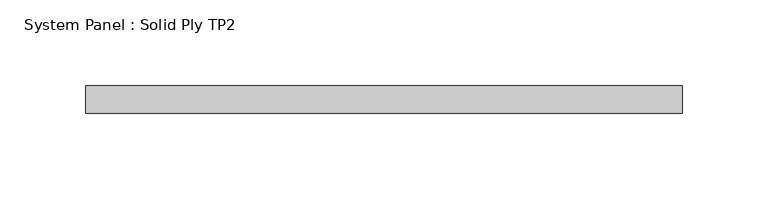
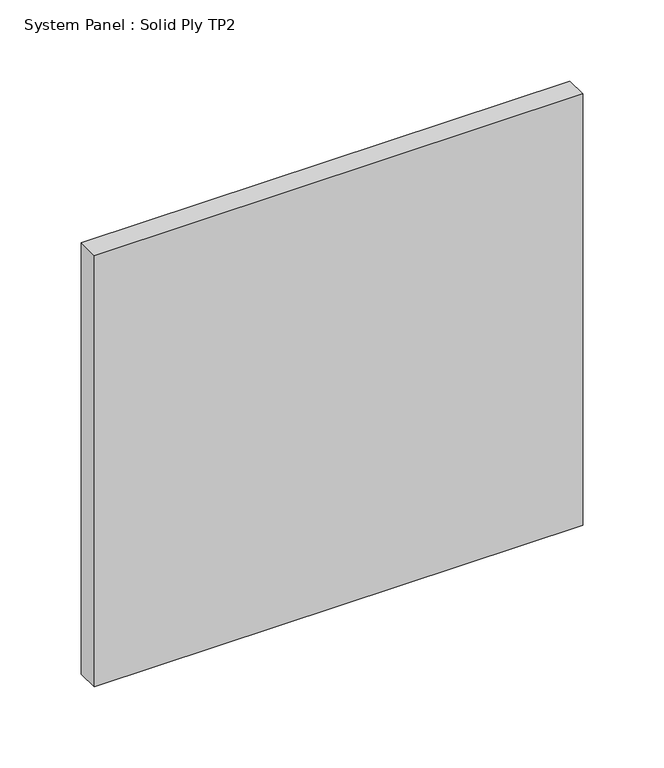
"""IFC4 building model written with IfcOpenShell, lengths in millimetres: plate geometry, System Panel : Solid Ply TP2."""

from ifc_helpers import new_model, si_unit, origin, origin_with_axes, place, context, project, spatial, polyline, outline, extrude, source, transform, mapped, element, save


def system_panel_solid_ply_tp2_2a901d11(model_context):
    return source(origin(), model_context, "Body", "SweptSolid", [
        extrude(outline(polyline([(174.0051815, -23.0), (-174.0051815, -23.0), (-174.0051815, -7.0), (174.0051815, -7.0), (174.0051815, -23.0)])), origin_with_axes(), (0.0, 0.0, 1.0), 324.7360307),
    ])


if __name__ == "__main__":
    model = new_model("IFC4")
    model_context = context("Model", 3, world=origin())
    ifc_project = project(units=[si_unit("LENGTHUNIT", "METRE", prefix="MILLI")], contexts=[model_context])
    site = spatial("IfcSite", under=ifc_project)
    building = spatial("IfcBuilding", under=site)
    placement = place(None, origin())
    system_panel_solid_ply_tp2_shape = system_panel_solid_ply_tp2_2a901d11(model_context)
    element("IfcPlate", 1, ObjectType="System Panel : Solid Ply TP2", at=placement, inside=building, context=model_context, shape_type="MappedRepresentation", body=[
        mapped(system_panel_solid_ply_tp2_shape, transform((0.0, 0.0, 0.0), x_axis=(1.0, 0.0, 0.0), y_axis=(0.0, 1.0, 0.0), z_axis=(0.0, 0.0, 1.0))),
    ])
    save(model, "model.ifc")
